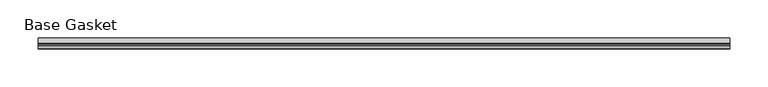
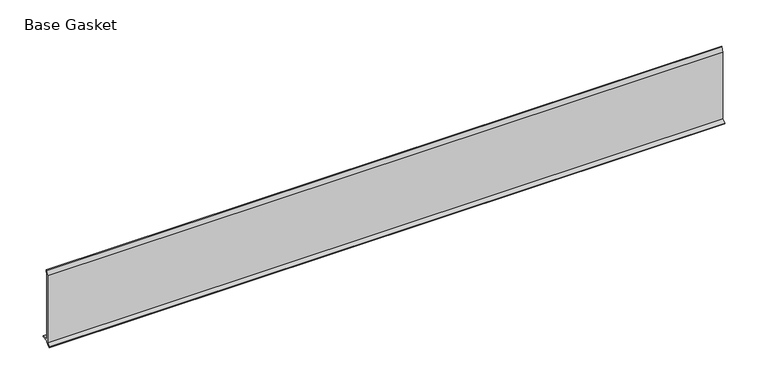
"""IFC4 building model written with IfcOpenShell, lengths in millimetres: furniture geometry, Base Gasket."""

from ifc_helpers import new_model, si_unit, frame, origin, place, context, project, spatial, polyline, outline, extrude, source, transform, mapped, element, save


def base_gasket_d70255cc(model_context):
    return source(origin(), model_context, "Body", "SweptSolid", [
        extrude(outline(polyline([(-3.7283812, 98.4568417), (-1.1891543, 104.587663), (-0.6755308, 105.2002997), (-0.6755308, 104.4162708), (-2.2043812, 98.4568417), (-2.2043812, 96.8693477), (-1.4106313, 96.8693477), (-1.4106313, 71.4693447), (-2.2043812, 71.4693447), (-2.2043812, 7.9398773), (6.2405171, 7.9398773), (6.2405171, 6.3818476), (-2.1334222, 6.3818476), (-2.2043812, 4.3498477), (-6.8281054, 0.3520979), (-7.8482342, 0.0), (-7.4222115, 0.6560174), (-3.7283812, 4.3498477), (-3.7283812, 98.4568417)])), frame((-1527.8982117, 0.0, 0.0), z_axis=(1.0, 0.0, 0.0), x_axis=(0.0, 1.0, 0.0)), (0.0, 0.0, 1.0), 901.7),
    ])


if __name__ == "__main__":
    model = new_model("IFC4")
    model_context = context("Model", 3, world=origin())
    ifc_project = project(units=[si_unit("LENGTHUNIT", "METRE", prefix="MILLI")], contexts=[model_context])
    site = spatial("IfcSite", under=ifc_project)
    building = spatial("IfcBuilding", under=site)
    placement = place(None, origin())
    base_gasket_shape = base_gasket_d70255cc(model_context)
    element("IfcFurniture", 1, ObjectType="Base Gasket", at=placement, inside=building, context=model_context, shape_type="MappedRepresentation", body=[
        mapped(base_gasket_shape, transform((0.0, 0.0, 0.0), x_axis=(1.0, 0.0, 0.0), y_axis=(0.0, 1.0, 0.0), z_axis=(0.0, 0.0, 1.0))),
    ])
    save(model, "model.ifc")
